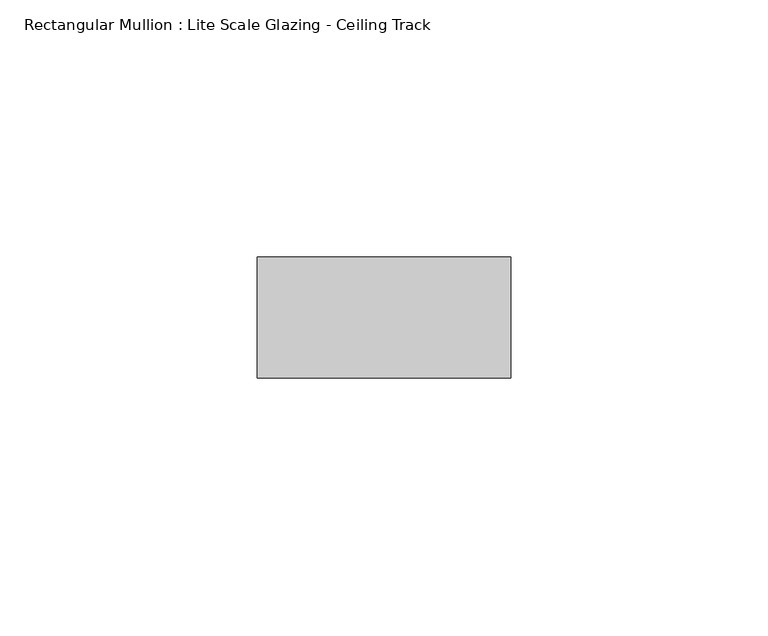
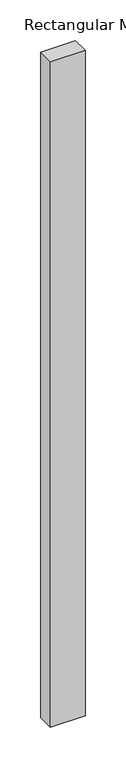
"""IFC4 building model written with IfcOpenShell, lengths in millimetres: member geometry, Rectangular Mullion : Lite Scale Glazing - Ceiling Track."""

import ifcopenshell
import ifcopenshell.guid

model = None  # the IFC model being written
_history = None  # IfcOwnerHistory: only IFC2X3 demands one
_inside = {}  # id of a spatial element -> (the spatial element, [elements in it])
_under = {}  # id of a project, library or spatial element -> (it, [spatial elements below it])
_declared = {}  # id of a project -> (the project, [libraries it declares])
_typed = {}  # id of a type object -> (the type object, [elements of that type])
_made_of = {}  # id of a material, layer set ... -> (it, [elements and type objects made of it])


def new_model(schema):
    """Start an empty IFC model of exactly this schema.

    Asked for "IFC4X3", IfcOpenShell would pick the latest addendum, in which some entities
    have other attributes; the version numbers below select the first issue.
    IFC2X3 requires an IfcOwnerHistory on every rooted entity: one is made here for all.
    """
    global model, _history
    if schema == "IFC4X3":
        model = ifcopenshell.file(schema_version=(4, 3, 0, 0))
    else:
        model = ifcopenshell.file(schema=schema)
    _inside.clear()
    _under.clear()
    _declared.clear()
    _typed.clear()
    _made_of.clear()
    _history = None
    if model.schema == "IFC2X3":
        org = make("IfcOrganization", Name="unknown")
        user = make(
            "IfcPersonAndOrganization",
            ThePerson=make("IfcPerson", FamilyName="unknown"),
            TheOrganization=org,
        )
        app = make(
            "IfcApplication",
            ApplicationDeveloper=org,
            Version="unknown",
            ApplicationFullName="unknown",
            ApplicationIdentifier="unknown",
        )
        _history = make(
            "IfcOwnerHistory",
            OwningUser=user,
            OwningApplication=app,
            ChangeAction="ADDED",
            CreationDate=0,
        )
    return model


def make(cls, **values):
    """One entity of the class cls with the attributes given. An attribute that is None is left unset."""
    return model.create_entity(
        cls, **{name: value for name, value in values.items() if value is not None}
    )


def rooted(cls, **values):
    """An entity with a GlobalId (a new one), such as an element, a storey or a relation."""
    return make(cls, GlobalId=ifcopenshell.guid.new(), OwnerHistory=_history, **values)


def si_unit(unit_type, name, prefix=None):
    """IfcSIUnit, for example si_unit("LENGTHUNIT", "METRE", prefix="MILLI")."""
    return make("IfcSIUnit", UnitType=unit_type, Prefix=prefix, Name=name)


def assignment(units):
    """IfcUnitAssignment: the units of a project."""
    return None if units is None else make("IfcUnitAssignment", Units=units)


def point(xyz):
    """IfcCartesianPoint."""
    return None if xyz is None else make("IfcCartesianPoint", Coordinates=xyz)


def direction(xyz):
    """IfcDirection."""
    return None if xyz is None else make("IfcDirection", DirectionRatios=xyz)


def frame(location, z_axis=None, x_axis=None):
    """IfcAxis2Placement3D, a coordinate frame: its origin and axes. An axis left out is left unset."""
    return make(
        "IfcAxis2Placement3D",
        Location=point(location),
        Axis=direction(z_axis),
        RefDirection=direction(x_axis),
    )


def origin():
    """The frame at (0, 0, 0) with its axes left unset."""
    return frame((0.0, 0.0, 0.0))


def place(relative_to, where):
    """IfcLocalPlacement: puts the frame where relative to a parent placement (None: the world)."""
    return make(
        "IfcLocalPlacement", PlacementRelTo=relative_to, RelativePlacement=where
    )


def context(
    kind, dimensions, precision=None, world=None, true_north=None, identifier=None
):
    """IfcGeometricRepresentationContext, for example the 3D "Model" context."""
    return make(
        "IfcGeometricRepresentationContext",
        ContextIdentifier=identifier,
        ContextType=kind,
        CoordinateSpaceDimension=dimensions,
        Precision=precision,
        WorldCoordinateSystem=world,
        TrueNorth=true_north,
    )


def project(units=None, contexts=None):
    """IfcProject with its units and contexts."""
    return rooted(
        "IfcProject",
        Name="project",
        RepresentationContexts=contexts,
        UnitsInContext=assignment(units),
    )


def spatial(cls, under=None, at=None, **own):
    """A site, building, storey or space (cls), placed at a placement, below another one or the project."""
    s = rooted(cls, ObjectPlacement=at, **own)
    if under is not None:
        _under.setdefault(under.id(), (under, []))[1].append(s)
    return s


def polyline(points):
    """IfcPolyline through the points."""
    return make("IfcPolyline", Points=[point(p) for p in points])


def outline(outer, holes=None, kind="AREA"):
    """IfcArbitraryClosedProfileDef: a profile drawn as a closed curve; with holes, ...WithVoids."""
    if holes is None:
        return make("IfcArbitraryClosedProfileDef", ProfileType=kind, OuterCurve=outer)
    return make(
        "IfcArbitraryProfileDefWithVoids",
        ProfileType=kind,
        OuterCurve=outer,
        InnerCurves=holes,
    )


def extrude(swept, where, along, depth):
    """IfcExtrudedAreaSolid: the profile swept, set in the frame where, extruded along a direction by depth."""
    return make(
        "IfcExtrudedAreaSolid",
        SweptArea=swept,
        Position=where,
        ExtrudedDirection=direction(along),
        Depth=depth,
    )


def shape(context_of_items, identifier, shape_type, items):
    """IfcShapeRepresentation: the items that make up one representation, for example the "Body"."""
    return make(
        "IfcShapeRepresentation",
        ContextOfItems=context_of_items,
        RepresentationIdentifier=identifier,
        RepresentationType=shape_type,
        Items=items,
    )


def source(mapping_origin, context_of_items, identifier, shape_type, items):
    """IfcRepresentationMap: a shape defined once, which mapped items show again and again."""
    return make(
        "IfcRepresentationMap",
        MappingOrigin=mapping_origin,
        MappedRepresentation=shape(context_of_items, identifier, shape_type, items),
    )


def transform(
    local_origin,
    x_axis=None,
    y_axis=None,
    z_axis=None,
    scale=None,
    scale2=None,
    scale3=None,
    uniform=True,
):
    """IfcCartesianTransformationOperator3D, or its non-uniform kind. x_axis, y_axis, z_axis: its Axis1, 2, 3."""
    if uniform:
        return make(
            "IfcCartesianTransformationOperator3D",
            Axis1=direction(x_axis),
            Axis2=direction(y_axis),
            LocalOrigin=point(local_origin),
            Scale=scale,
            Axis3=direction(z_axis),
        )
    return make(
        "IfcCartesianTransformationOperator3DnonUniform",
        Axis1=direction(x_axis),
        Axis2=direction(y_axis),
        LocalOrigin=point(local_origin),
        Scale=scale,
        Axis3=direction(z_axis),
        Scale2=scale2,
        Scale3=scale3,
    )


def mapped(mapping_source, mapping_target):
    """IfcMappedItem: shows the shape of a source again, moved by a transform."""
    return make(
        "IfcMappedItem", MappingSource=mapping_source, MappingTarget=mapping_target
    )


def made_of(thing, what):
    """Note that an element or type object is made of a material, layer set ...; save() writes the relation."""
    if what is not None:
        _made_of.setdefault(what.id(), (what, []))[1].append(thing)
    return thing


def element(
    cls,
    number,
    at=None,
    inside=None,
    cuts=None,
    type_object=None,
    material=None,
    context=None,
    identifier="Body",
    shape_type=None,
    held_by="IfcProductDefinitionShape",
    body=None,
    shapes=None,
    **own,
):
    """One element of the class cls, such as IfcWall. Its Tag is "e" and its number.

    at: its placement. inside: the storey or other place that contains it. cuts: it is an
    opening in that element (IfcRelVoidsElement). A single representation is given by context,
    identifier, shape_type and body (its items); several are given by shapes. held_by: the class
    of the entity that holds the representations. save() writes the other relations.
    """
    e = rooted(cls, Tag="e%d" % number, ObjectPlacement=at, **own)
    if body is not None:
        shapes = [shape(context, identifier, shape_type, body)]
    if shapes is not None:
        e.Representation = make(held_by, Representations=shapes)
    if inside is not None:
        _inside.setdefault(inside.id(), (inside, []))[1].append(e)
    if cuts is not None:
        rooted(
            "IfcRelVoidsElement", RelatingBuildingElement=cuts, RelatedOpeningElement=e
        )
    if type_object is not None:
        _typed.setdefault(type_object.id(), (type_object, []))[1].append(e)
    return made_of(e, material)


def aggregate(whole, parts):
    """IfcRelAggregates: a whole, such as a stair, and the parts it consists of."""
    return rooted("IfcRelAggregates", RelatingObject=whole, RelatedObjects=parts)


def save(model, path):
    """Write the relations noted so far, then the file.

    IfcRelAggregates (storeys below a building ...), IfcRelContainedInSpatialStructure (elements
    in a storey), IfcRelDefinesByType, IfcRelAssociatesMaterial and IfcRelDeclares: one each for
    every whole, place, type object, material and project.
    """
    for whole, parts in _under.values():
        aggregate(whole, parts)
    for where, things in _inside.values():
        rooted(
            "IfcRelContainedInSpatialStructure",
            RelatedElements=things,
            RelatingStructure=where,
        )
    for kind, things in _typed.values():
        rooted("IfcRelDefinesByType", RelatedObjects=things, RelatingType=kind)
    for what, things in _made_of.values():
        rooted("IfcRelAssociatesMaterial", RelatedObjects=things, RelatingMaterial=what)
    for by, libraries in _declared.values():
        rooted("IfcRelDeclares", RelatingContext=by, RelatedDefinitions=libraries)
    model.write(path)


def rectangular_mullion_lite_scale_glazing_ceiling_track_7bd0e5ec(model_context):
    return source(origin(), model_context, "Body", "SweptSolid", [
        extrude(outline(polyline([(-49.276, -11.7474999), (-49.276, 11.7474999), (0.0, 11.7474999), (0.0, -11.7474999), (-49.276, -11.7474999)])), frame((0.0, 0.0, -997.2889264), z_axis=(0.0, 0.0, 1.0), x_axis=(1.0, 0.0, 0.0)), (0.0, 0.0, 1.0), 997.2889264),
    ])


if __name__ == "__main__":
    model = new_model("IFC4")
    model_context = context("Model", 3, world=origin())
    ifc_project = project(units=[si_unit("LENGTHUNIT", "METRE", prefix="MILLI")], contexts=[model_context])
    site = spatial("IfcSite", under=ifc_project)
    building = spatial("IfcBuilding", under=site)
    placement = place(None, origin())
    rectangular_mullion_lite_scale_glazing_ceiling_track_shape = rectangular_mullion_lite_scale_glazing_ceiling_track_7bd0e5ec(model_context)
    element("IfcMember", 1, ObjectType="Rectangular Mullion : Lite Scale Glazing - Ceiling Track", at=placement, inside=building, context=model_context, shape_type="MappedRepresentation", body=[
        mapped(rectangular_mullion_lite_scale_glazing_ceiling_track_shape, transform((0.0, 0.0, 0.0), x_axis=(1.0, 0.0, 0.0), y_axis=(0.0, 1.0, 0.0), z_axis=(0.0, 0.0, 1.0))),
    ])
    save(model, "model.ifc")
